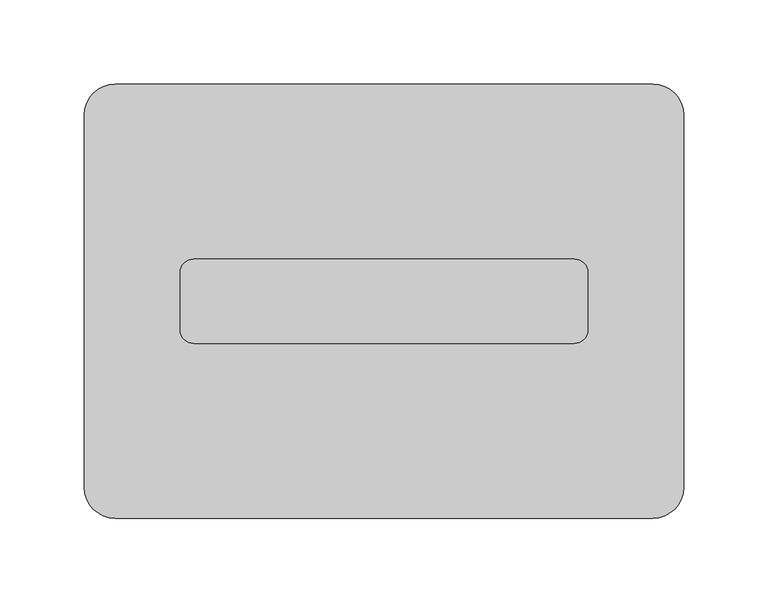
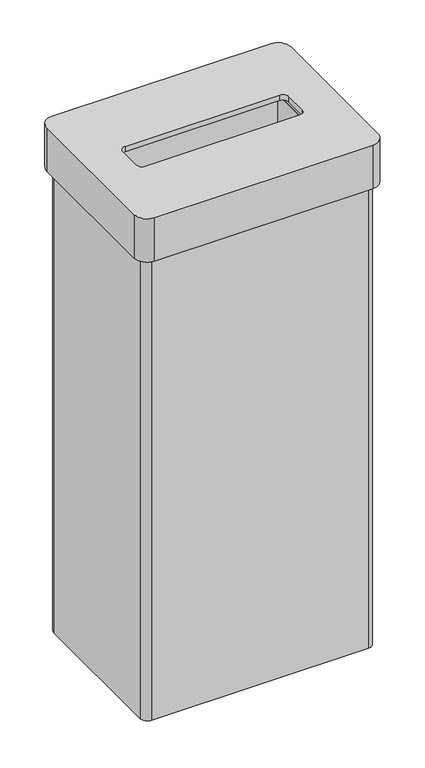
"""IFC4 building model written with IfcOpenShell, lengths in millimetres: furniture geometry."""

from ifc_helpers import new_model, si_unit, frame, origin, place, context, project, spatial, polyline, circle_curve, source, transform, mapped, element, save
from ifc_brep_helpers import plane_surface, cylinder_surface, revolved_surface, advanced_brep


def furniture_4bf53ccf(model_context):
    return source(origin(), model_context, "Body", "AdvancedBrep", [
        advanced_brep(
        [(158.25, 119.75, 714.0), (-158.25, 119.75, 714.0), (-168.75, 109.25, 714.0), (-168.75, -109.25, 714.0), (-158.25, -119.75, 714.0), (158.25, -119.75, 714.0), (168.75, -109.25, 714.0), (168.75, 109.25, 714.0), (159.5, 110.5, 714.0), (159.5, -110.5, 714.0), (-159.5, -110.5, 714.0), (-159.5, 110.5, 714.0), (158.25, 119.75, 0.0), (168.75, 109.25, 0.0), (168.75, -109.25, 0.0), (158.25, -119.75, 0.0), (-158.25, -119.75, 0.0), (-168.75, -109.25, 0.0), (-168.75, 109.25, 0.0), (-158.25, 119.75, 0.0), (159.5, 110.5, 8.0), (159.5, -110.5, 8.0), (-159.5, -110.5, 8.0), (-159.5, 110.5, 8.0)],
        [
            (0, 1),
            (1, 2, circle_curve(frame((-158.25, 109.25, 714.0), z_axis=(0.0, 0.0, 1.0), x_axis=(1.0, 0.0, 0.0)), 10.5)),
            (2, 3),
            (3, 4, circle_curve(frame((-158.25, -109.25, 714.0), z_axis=(0.0, 0.0, 1.0), x_axis=(1.0, 0.0, 0.0)), 10.5)),
            (4, 5),
            (5, 6, circle_curve(frame((158.25, -109.25, 714.0), z_axis=(0.0, 0.0, 1.0), x_axis=(1.0, 0.0, 0.0)), 10.5)),
            (6, 7),
            (7, 0, circle_curve(frame((158.25, 109.25, 714.0), z_axis=(0.0, 0.0, 1.0), x_axis=(1.0, 0.0, 0.0)), 10.5)),
            (8, 9),
            (9, 10),
            (10, 11),
            (11, 8),
            (12, 13, circle_curve(frame((158.25, 109.25, 0.0), z_axis=(0.0, 0.0, -1.0), x_axis=(1.0, 0.0, 0.0)), 10.5)),
            (13, 14),
            (14, 15, circle_curve(frame((158.25, -109.25, 0.0), z_axis=(0.0, 0.0, -1.0), x_axis=(1.0, 0.0, 0.0)), 10.5)),
            (15, 16),
            (16, 17, circle_curve(frame((-158.25, -109.25, 0.0), z_axis=(0.0, 0.0, -1.0), x_axis=(1.0, 0.0, 0.0)), 10.5)),
            (17, 18),
            (18, 19, circle_curve(frame((-158.25, 109.25, 0.0), z_axis=(0.0, 0.0, -1.0), x_axis=(1.0, 0.0, 0.0)), 10.5)),
            (19, 12),
            (8, 20),
            (20, 21),
            (21, 9),
            (21, 22),
            (22, 10),
            (22, 23),
            (23, 11),
            (23, 20),
            (0, 12),
            (19, 1),
            (18, 2),
            (17, 3),
            (16, 4),
            (15, 5),
            (14, 6),
            (13, 7),
        ],
        [
            plane_surface(frame((159.5, 110.5, 714.0), z_axis=(0.0, 0.0, 1.0), x_axis=(0.0, -1.0, 0.0))),
            plane_surface(frame((159.5, 110.5, 0.0), z_axis=(0.0, 0.0, -1.0), x_axis=(0.0, 1.0, 0.0))),
            plane_surface(frame((159.5, 110.5, 714.0), z_axis=(-1.0, 0.0, 0.0), x_axis=(0.0, 0.0, -1.0))),
            plane_surface(frame((159.5, -110.5, 714.0), z_axis=(0.0, 1.0, 0.0), x_axis=(0.0, 0.0, -1.0))),
            plane_surface(frame((-159.5, -110.5, 714.0), z_axis=(1.0, 0.0, 0.0), x_axis=(0.0, 0.0, -1.0))),
            plane_surface(frame((-159.5, 110.5, 714.0), z_axis=(0.0, -1.0, 0.0), x_axis=(0.0, 0.0, -1.0))),
            plane_surface(frame((158.25, 119.75, 714.0), z_axis=(0.0, 1.0, 0.0), x_axis=(0.0, 0.0, -1.0))),
            cylinder_surface(frame((-158.25, 109.25, 0.0), z_axis=(0.0, 0.0, 1.0), x_axis=(1.0, 0.0, 0.0)), 10.5),
            plane_surface(frame((-168.75, 109.25, 714.0), z_axis=(-1.0, 0.0, 0.0), x_axis=(0.0, 0.0, -1.0))),
            cylinder_surface(frame((-158.25, -109.25, 0.0), z_axis=(0.0, 0.0, 1.0), x_axis=(1.0, 0.0, 0.0)), 10.5),
            plane_surface(frame((-158.25, -119.75, 714.0), z_axis=(0.0, -1.0, 0.0), x_axis=(0.0, 0.0, -1.0))),
            cylinder_surface(frame((158.25, -109.25, 0.0), z_axis=(0.0, 0.0, 1.0), x_axis=(1.0, 0.0, 0.0)), 10.5),
            plane_surface(frame((168.75, -109.25, 714.0), z_axis=(1.0, 0.0, 0.0), x_axis=(0.0, 0.0, -1.0))),
            cylinder_surface(frame((158.25, 109.25, 0.0), z_axis=(0.0, 0.0, 1.0), x_axis=(1.0, 0.0, 0.0)), 10.5),
            plane_surface(frame((-159.5, 110.5, 8.0), z_axis=(0.0, 0.0, 1.0), x_axis=(-1.0, 0.0, 0.0))),
        ],
        [
            (0, [[1, 2, 3, 4, 5, 6, 7, 8], [9, 10, 11, 12]]),
            (1, [[13, 14, 15, 16, 17, 18, 19, 20]]),
            (2, [[-9, 21, 22, 23]]),
            (3, [[-10, -23, 24, 25]]),
            (4, [[-11, -25, 26, 27]]),
            (5, [[-12, -27, 28, -21]]),
            (6, [[-1, 29, -20, 30]]),
            (7, [[-2, -30, -19, 31]]),
            (8, [[-3, -31, -18, 32]]),
            (9, [[-4, -32, -17, 33]]),
            (10, [[-5, -33, -16, 34]]),
            (11, [[-6, -34, -15, 35]]),
            (12, [[-7, -35, -14, 36]]),
            (13, [[-8, -36, -13, -29]]),
            (14, [[-22, -28, -26, -24]]),
        ],
    ),
        advanced_brep(
        [(159.5, 129.0, 781.0), (-159.5, 129.0, 781.0), (-178.0, 110.5, 781.0), (-178.0, -110.5, 781.0), (-159.5, -129.0, 781.0), (159.5, -129.0, 781.0), (178.0, -110.5, 781.0), (178.0, 110.5, 781.0), (113.0, 25.0, 781.0), (121.0, 17.0, 781.0), (121.0, -17.0, 781.0), (113.0, -25.0, 781.0), (-113.0, -25.0, 781.0), (-121.0, -17.0, 781.0), (-121.0, 17.0, 781.0), (-113.0, 25.0, 781.0), (159.5, 110.5, 773.0), (159.5, -110.5, 773.0), (-159.5, -110.5, 773.0), (-159.5, 110.5, 773.0), (113.0, 25.0, 773.0), (-113.0, 25.0, 773.0), (-121.0, 17.0, 773.0), (-121.0, -17.0, 773.0), (-113.0, -25.0, 773.0), (113.0, -25.0, 773.0), (121.0, -17.0, 773.0), (121.0, 17.0, 773.0), (159.5, 129.0, 714.0), (178.0, 110.5, 714.0), (178.0, -110.5, 714.0), (159.5, -129.0, 714.0), (-159.5, -129.0, 714.0), (-178.0, -110.5, 714.0), (-178.0, 110.5, 714.0), (-159.5, 129.0, 714.0), (159.5, 110.5, 714.0), (-159.5, 110.5, 714.0), (-159.5, -110.5, 714.0), (159.5, -110.5, 714.0)],
        [
            (0, 1),
            (1, 2, circle_curve(frame((-159.5, 110.5, 781.0), z_axis=(0.0, 0.0, 1.0), x_axis=(1.0, 0.0, 0.0)), 18.5)),
            (2, 3),
            (3, 4, circle_curve(frame((-159.5, -110.5, 781.0), z_axis=(0.0, 0.0, 1.0), x_axis=(1.0, 0.0, 0.0)), 18.5)),
            (4, 5),
            (5, 6, circle_curve(frame((159.5, -110.5, 781.0), z_axis=(0.0, 0.0, 1.0), x_axis=(1.0, 0.0, 0.0)), 18.5)),
            (6, 7),
            (7, 0, circle_curve(frame((159.5, 110.5, 781.0), z_axis=(0.0, 0.0, 1.0), x_axis=(1.0, 0.0, 0.0)), 18.5)),
            (8, 9, circle_curve(frame((113.0, 17.0, 781.0), z_axis=(0.0, 0.0, -1.0), x_axis=(1.0, 0.0, 0.0)), 8.0)),
            (9, 10),
            (10, 11, circle_curve(frame((113.0, -17.0, 781.0), z_axis=(0.0, 0.0, -1.0), x_axis=(1.0, 0.0, 0.0)), 8.0)),
            (11, 12),
            (12, 13, circle_curve(frame((-113.0, -17.0, 781.0), z_axis=(0.0, 0.0, -1.0), x_axis=(1.0, 0.0, 0.0)), 8.0)),
            (13, 14),
            (14, 15, circle_curve(frame((-113.0, 17.0, 781.0), z_axis=(0.0, 0.0, -1.0), x_axis=(1.0, 0.0, 0.0)), 8.0)),
            (15, 8),
            (16, 17),
            (17, 18),
            (18, 19),
            (19, 16),
            (20, 21),
            (21, 22, circle_curve(frame((-113.0, 17.0, 773.0), z_axis=(0.0, 0.0, 1.0), x_axis=(1.0, 0.0, 0.0)), 8.0)),
            (22, 23),
            (23, 24, circle_curve(frame((-113.0, -17.0, 773.0), z_axis=(0.0, 0.0, 1.0), x_axis=(1.0, 0.0, 0.0)), 8.0)),
            (24, 25),
            (25, 26, circle_curve(frame((113.0, -17.0, 773.0), z_axis=(0.0, 0.0, 1.0), x_axis=(1.0, 0.0, 0.0)), 8.0)),
            (26, 27),
            (27, 20, circle_curve(frame((113.0, 17.0, 773.0), z_axis=(0.0, 0.0, 1.0), x_axis=(1.0, 0.0, 0.0)), 8.0)),
            (8, 20),
            (27, 9),
            (26, 10),
            (25, 11),
            (24, 12),
            (23, 13),
            (22, 14),
            (21, 15),
            (28, 29, circle_curve(frame((159.5, 110.5, 714.0), z_axis=(0.0, 0.0, -1.0), x_axis=(1.0, 0.0, 0.0)), 18.5)),
            (29, 30),
            (30, 31, circle_curve(frame((159.5, -110.5, 714.0), z_axis=(0.0, 0.0, -1.0), x_axis=(1.0, 0.0, 0.0)), 18.5)),
            (31, 32),
            (32, 33, circle_curve(frame((-159.5, -110.5, 714.0), z_axis=(0.0, 0.0, -1.0), x_axis=(1.0, 0.0, 0.0)), 18.5)),
            (33, 34),
            (34, 35, circle_curve(frame((-159.5, 110.5, 714.0), z_axis=(0.0, 0.0, -1.0), x_axis=(1.0, 0.0, 0.0)), 18.5)),
            (35, 28),
            (36, 37),
            (37, 38),
            (38, 39),
            (39, 36),
            (0, 28),
            (35, 1),
            (34, 2),
            (33, 3),
            (32, 4),
            (31, 5),
            (30, 6),
            (29, 7),
            (39, 17),
            (16, 36),
            (38, 18),
            (37, 19),
        ],
        [
            plane_surface(frame((-159.5, 110.5, 781.0), z_axis=(0.0, 0.0, 1.0), x_axis=(-1.0, 0.0, 0.0))),
            plane_surface(frame((-159.5, 110.5, 773.0), z_axis=(0.0, 0.0, -1.0), x_axis=(1.0, 0.0, 0.0))),
            revolved_surface(polyline([(121.0, 17.0, 773.0), (121.0, 17.0, 781.0)]), (113.0, 17.0, 781.0), (0.0, 0.0, -1.0)),
            plane_surface(frame((121.0, 17.0, 781.0), z_axis=(-1.0, 0.0, 0.0), x_axis=(0.0, 0.0, -1.0))),
            revolved_surface(polyline([(121.0, -17.0, 773.0), (121.0, -17.0, 781.0)]), (113.0, -17.0, 781.0), (0.0, 0.0, -1.0)),
            plane_surface(frame((113.0, -25.0, 781.0), z_axis=(0.0, 1.0, 0.0), x_axis=(0.0, 0.0, -1.0))),
            revolved_surface(polyline([(-105.0, -17.0, 773.0), (-105.0, -17.0, 781.0)]), (-113.0, -17.0, 781.0), (0.0, 0.0, -1.0)),
            plane_surface(frame((-121.0, -17.0, 781.0), z_axis=(1.0, 0.0, 0.0), x_axis=(0.0, 0.0, -1.0))),
            revolved_surface(polyline([(-105.0, 17.0, 773.0), (-105.0, 17.0, 781.0)]), (-113.0, 17.0, 781.0), (0.0, 0.0, -1.0)),
            plane_surface(frame((-113.0, 25.0, 781.0), z_axis=(0.0, -1.0, 0.0), x_axis=(0.0, 0.0, -1.0))),
            plane_surface(frame((-159.5, 129.0, 714.0), z_axis=(0.0, 0.0, -1.0), x_axis=(1.0, 0.0, 0.0))),
            plane_surface(frame((159.5, 129.0, 781.0), z_axis=(0.0, 1.0, 0.0), x_axis=(0.0, 0.0, -1.0))),
            cylinder_surface(frame((-159.5, 110.5, 714.0), z_axis=(0.0, 0.0, 1.0), x_axis=(1.0, 0.0, 0.0)), 18.5),
            plane_surface(frame((-178.0, 110.5, 781.0), z_axis=(-1.0, 0.0, 0.0), x_axis=(0.0, 0.0, -1.0))),
            cylinder_surface(frame((-159.5, -110.5, 714.0), z_axis=(0.0, 0.0, 1.0), x_axis=(1.0, 0.0, 0.0)), 18.5),
            plane_surface(frame((-159.5, -129.0, 781.0), z_axis=(0.0, -1.0, 0.0), x_axis=(0.0, 0.0, -1.0))),
            cylinder_surface(frame((159.5, -110.5, 714.0), z_axis=(0.0, 0.0, 1.0), x_axis=(1.0, 0.0, 0.0)), 18.5),
            plane_surface(frame((178.0, -110.5, 781.0), z_axis=(1.0, 0.0, 0.0), x_axis=(0.0, 0.0, -1.0))),
            cylinder_surface(frame((159.5, 110.5, 714.0), z_axis=(0.0, 0.0, 1.0), x_axis=(1.0, 0.0, 0.0)), 18.5),
            plane_surface(frame((159.5, 110.5, 781.0), z_axis=(-1.0, 0.0, 0.0), x_axis=(0.0, 0.0, -1.0))),
            plane_surface(frame((159.5, -110.5, 781.0), z_axis=(0.0, 1.0, 0.0), x_axis=(0.0, 0.0, -1.0))),
            plane_surface(frame((-159.5, -110.5, 781.0), z_axis=(1.0, 0.0, 0.0), x_axis=(0.0, 0.0, -1.0))),
            plane_surface(frame((-159.5, 110.5, 781.0), z_axis=(0.0, -1.0, 0.0), x_axis=(0.0, 0.0, -1.0))),
        ],
        [
            (0, [[1, 2, 3, 4, 5, 6, 7, 8], [9, 10, 11, 12, 13, 14, 15, 16]]),
            (1, [[17, 18, 19, 20], [21, 22, 23, 24, 25, 26, 27, 28]]),
            (2, [[-9, 29, -28, 30]]),
            (3, [[-10, -30, -27, 31]]),
            (4, [[-11, -31, -26, 32]]),
            (5, [[-12, -32, -25, 33]]),
            (6, [[-13, -33, -24, 34]]),
            (7, [[-14, -34, -23, 35]]),
            (8, [[-15, -35, -22, 36]]),
            (9, [[-16, -36, -21, -29]]),
            (10, [[37, 38, 39, 40, 41, 42, 43, 44], [45, 46, 47, 48]]),
            (11, [[-1, 49, -44, 50]]),
            (12, [[-2, -50, -43, 51]]),
            (13, [[-3, -51, -42, 52]]),
            (14, [[-4, -52, -41, 53]]),
            (15, [[-5, -53, -40, 54]]),
            (16, [[-6, -54, -39, 55]]),
            (17, [[-7, -55, -38, 56]]),
            (18, [[-8, -56, -37, -49]]),
            (19, [[-48, 57, -17, 58]]),
            (20, [[-47, 59, -18, -57]]),
            (21, [[-46, 60, -19, -59]]),
            (22, [[-45, -58, -20, -60]]),
        ],
    ),
    ])


if __name__ == "__main__":
    model = new_model("IFC4")
    model_context = context("Model", 3, world=origin())
    ifc_project = project(units=[si_unit("LENGTHUNIT", "METRE", prefix="MILLI")], contexts=[model_context])
    site = spatial("IfcSite", under=ifc_project)
    building = spatial("IfcBuilding", under=site)
    placement = place(None, origin())
    furniture_shape = furniture_4bf53ccf(model_context)
    element("IfcFurniture", 1, at=placement, inside=building, context=model_context, shape_type="MappedRepresentation", body=[
        mapped(furniture_shape, transform((0.0, 0.0, 0.0), x_axis=(1.0, 0.0, 0.0), y_axis=(0.0, 1.0, 0.0), z_axis=(0.0, 0.0, 1.0))),
    ])
    save(model, "model.ifc")
